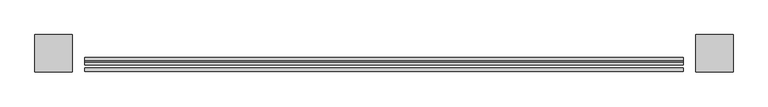
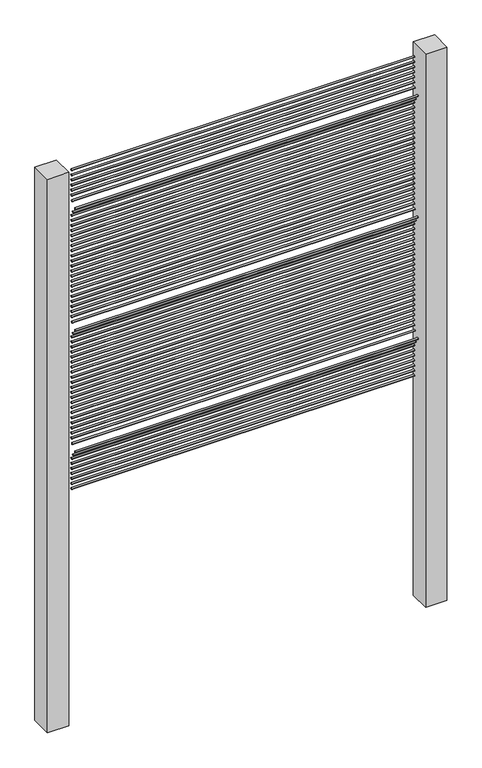
"""IFC4 building model written with IfcOpenShell, lengths in millimetres: railing geometry."""

from ifc_helpers import new_model, si_unit, point, frame, frame_2d, origin, place, context, project, spatial, polyline, circle_curve, trimmed, segment, composite_curve, outline, extrude, source, transform, mapped, element, save


def railing_5e0648ca(model_context):
    return source(origin(), model_context, "Body", "SweptSolid", [
        extrude(outline(composite_curve([segment(trimmed(circle_curve(frame_2d((14799.0304142, 28.575)), 3.175), [point((14795.8554142, 28.575))], [point((14802.2054142, 28.575))], False, "CARTESIAN"), True, "CONTINUOUS"), segment(trimmed(circle_curve(frame_2d((14799.0304142, 28.575)), 3.175), [point((14802.2054142, 28.575))], [point((14795.8554142, 28.575))], False, "CARTESIAN"), True, "CONTINUOUS")], self_intersect=False)), frame((-18083.7806958, 0.0, 0.0), z_axis=(1.0, 0.0, 0.0), x_axis=(0.0, 1.0, 0.0)), (0.0, 0.0, 1.0), 1219.2),
        extrude(outline(composite_curve([segment(trimmed(circle_curve(frame_2d((14799.0304142, 47.625)), 3.175), [point((14795.8554142, 47.625))], [point((14802.2054142, 47.625))], False, "CARTESIAN"), True, "CONTINUOUS"), segment(trimmed(circle_curve(frame_2d((14799.0304142, 47.625)), 3.175), [point((14802.2054142, 47.625))], [point((14795.8554142, 47.625))], False, "CARTESIAN"), True, "CONTINUOUS")], self_intersect=False)), frame((-18083.7806958, 0.0, 0.0), z_axis=(1.0, 0.0, 0.0), x_axis=(0.0, 1.0, 0.0)), (0.0, 0.0, 1.0), 1219.2),
        extrude(outline(composite_curve([segment(trimmed(circle_curve(frame_2d((14799.0304142, 66.675)), 3.175), [point((14795.8554142, 66.675))], [point((14802.2054142, 66.675))], False, "CARTESIAN"), True, "CONTINUOUS"), segment(trimmed(circle_curve(frame_2d((14799.0304142, 66.675)), 3.175), [point((14802.2054142, 66.675))], [point((14795.8554142, 66.675))], False, "CARTESIAN"), True, "CONTINUOUS")], self_intersect=False)), frame((-18083.7806958, 0.0, 0.0), z_axis=(1.0, 0.0, 0.0), x_axis=(0.0, 1.0, 0.0)), (0.0, 0.0, 1.0), 1219.2),
        extrude(outline(composite_curve([segment(trimmed(circle_curve(frame_2d((14799.0304142, 85.725)), 3.175), [point((14795.8554142, 85.725))], [point((14802.2054142, 85.725))], False, "CARTESIAN"), True, "CONTINUOUS"), segment(trimmed(circle_curve(frame_2d((14799.0304142, 85.725)), 3.175), [point((14802.2054142, 85.725))], [point((14795.8554142, 85.725))], False, "CARTESIAN"), True, "CONTINUOUS")], self_intersect=False)), frame((-18083.7806958, 0.0, 0.0), z_axis=(1.0, 0.0, 0.0), x_axis=(0.0, 1.0, 0.0)), (0.0, 0.0, 1.0), 1219.2),
        extrude(outline(composite_curve([segment(trimmed(circle_curve(frame_2d((14799.0304142, 104.775)), 3.175), [point((14795.8554142, 104.775))], [point((14802.2054142, 104.775))], False, "CARTESIAN"), True, "CONTINUOUS"), segment(trimmed(circle_curve(frame_2d((14799.0304142, 104.775)), 3.175), [point((14802.2054142, 104.775))], [point((14795.8554142, 104.775))], False, "CARTESIAN"), True, "CONTINUOUS")], self_intersect=False)), frame((-18083.7806958, 0.0, 0.0), z_axis=(1.0, 0.0, 0.0), x_axis=(0.0, 1.0, 0.0)), (0.0, 0.0, 1.0), 1219.2),
        extrude(outline(composite_curve([segment(trimmed(circle_curve(frame_2d((14799.0304142, 123.825)), 3.175), [point((14795.8554142, 123.825))], [point((14802.2054142, 123.825))], False, "CARTESIAN"), True, "CONTINUOUS"), segment(trimmed(circle_curve(frame_2d((14799.0304142, 123.825)), 3.175), [point((14802.2054142, 123.825))], [point((14795.8554142, 123.825))], False, "CARTESIAN"), True, "CONTINUOUS")], self_intersect=False)), frame((-18083.7806958, 0.0, 0.0), z_axis=(1.0, 0.0, 0.0), x_axis=(0.0, 1.0, 0.0)), (0.0, 0.0, 1.0), 1219.2),
        extrude(outline(composite_curve([segment(trimmed(circle_curve(frame_2d((14799.0304142, 142.875)), 3.175), [point((14795.8554142, 142.875))], [point((14802.2054142, 142.875))], False, "CARTESIAN"), True, "CONTINUOUS"), segment(trimmed(circle_curve(frame_2d((14799.0304142, 142.875)), 3.175), [point((14802.2054142, 142.875))], [point((14795.8554142, 142.875))], False, "CARTESIAN"), True, "CONTINUOUS")], self_intersect=False)), frame((-18083.7806958, 0.0, 0.0), z_axis=(1.0, 0.0, 0.0), x_axis=(0.0, 1.0, 0.0)), (0.0, 0.0, 1.0), 1219.2),
        extrude(outline(composite_curve([segment(trimmed(circle_curve(frame_2d((14789.3771382, 161.925)), 3.175), [point((14786.2021382, 161.925))], [point((14792.5521382, 161.925))], False, "CARTESIAN"), True, "CONTINUOUS"), segment(trimmed(circle_curve(frame_2d((14789.3771382, 161.925)), 3.175), [point((14792.5521382, 161.925))], [point((14786.2021382, 161.925))], False, "CARTESIAN"), True, "CONTINUOUS")], self_intersect=False)), frame((-18083.7806958, 0.0, 0.0), z_axis=(1.0, 0.0, 0.0), x_axis=(0.0, 1.0, 0.0)), (0.0, 0.0, 1.0), 1219.2),
        extrude(outline(composite_curve([segment(trimmed(circle_curve(frame_2d((14776.6771382, 180.975)), 3.175), [point((14773.5021382, 180.975))], [point((14779.8521382, 180.975))], False, "CARTESIAN"), True, "CONTINUOUS"), segment(trimmed(circle_curve(frame_2d((14776.6771382, 180.975)), 3.175), [point((14779.8521382, 180.975))], [point((14773.5021382, 180.975))], False, "CARTESIAN"), True, "CONTINUOUS")], self_intersect=False)), frame((-18083.7806958, 0.0, 0.0), z_axis=(1.0, 0.0, 0.0), x_axis=(0.0, 1.0, 0.0)), (0.0, 0.0, 1.0), 1219.2),
        extrude(outline(composite_curve([segment(trimmed(circle_curve(frame_2d((14795.4585392, 200.025)), 3.175), [point((14792.2835392, 200.025))], [point((14798.6335392, 200.025))], False, "CARTESIAN"), True, "CONTINUOUS"), segment(trimmed(circle_curve(frame_2d((14795.4585392, 200.025)), 3.175), [point((14798.6335392, 200.025))], [point((14792.2835392, 200.025))], False, "CARTESIAN"), True, "CONTINUOUS")], self_intersect=False)), frame((-18083.7806958, 0.0, 0.0), z_axis=(1.0, 0.0, 0.0), x_axis=(0.0, 1.0, 0.0)), (0.0, 0.0, 1.0), 1219.2),
        extrude(outline(composite_curve([segment(trimmed(circle_curve(frame_2d((14799.0304142, 219.075)), 3.175), [point((14795.8554142, 219.075))], [point((14802.2054142, 219.075))], False, "CARTESIAN"), True, "CONTINUOUS"), segment(trimmed(circle_curve(frame_2d((14799.0304142, 219.075)), 3.175), [point((14802.2054142, 219.075))], [point((14795.8554142, 219.075))], False, "CARTESIAN"), True, "CONTINUOUS")], self_intersect=False)), frame((-18083.7806958, 0.0, 0.0), z_axis=(1.0, 0.0, 0.0), x_axis=(0.0, 1.0, 0.0)), (0.0, 0.0, 1.0), 1219.2),
        extrude(outline(composite_curve([segment(trimmed(circle_curve(frame_2d((14799.0304142, 238.125)), 3.175), [point((14795.8554142, 238.125))], [point((14802.2054142, 238.125))], False, "CARTESIAN"), True, "CONTINUOUS"), segment(trimmed(circle_curve(frame_2d((14799.0304142, 238.125)), 3.175), [point((14802.2054142, 238.125))], [point((14795.8554142, 238.125))], False, "CARTESIAN"), True, "CONTINUOUS")], self_intersect=False)), frame((-18083.7806958, 0.0, 0.0), z_axis=(1.0, 0.0, 0.0), x_axis=(0.0, 1.0, 0.0)), (0.0, 0.0, 1.0), 1219.2),
        extrude(outline(composite_curve([segment(trimmed(circle_curve(frame_2d((14799.0304142, 257.175)), 3.175), [point((14795.8554142, 257.175))], [point((14802.2054142, 257.175))], False, "CARTESIAN"), True, "CONTINUOUS"), segment(trimmed(circle_curve(frame_2d((14799.0304142, 257.175)), 3.175), [point((14802.2054142, 257.175))], [point((14795.8554142, 257.175))], False, "CARTESIAN"), True, "CONTINUOUS")], self_intersect=False)), frame((-18083.7806958, 0.0, 0.0), z_axis=(1.0, 0.0, 0.0), x_axis=(0.0, 1.0, 0.0)), (0.0, 0.0, 1.0), 1219.2),
        extrude(outline(composite_curve([segment(trimmed(circle_curve(frame_2d((14799.0304142, 276.225)), 3.175), [point((14795.8554142, 276.225))], [point((14802.2054142, 276.225))], False, "CARTESIAN"), True, "CONTINUOUS"), segment(trimmed(circle_curve(frame_2d((14799.0304142, 276.225)), 3.175), [point((14802.2054142, 276.225))], [point((14795.8554142, 276.225))], False, "CARTESIAN"), True, "CONTINUOUS")], self_intersect=False)), frame((-18083.7806958, 0.0, 0.0), z_axis=(1.0, 0.0, 0.0), x_axis=(0.0, 1.0, 0.0)), (0.0, 0.0, 1.0), 1219.2),
        extrude(outline(composite_curve([segment(trimmed(circle_curve(frame_2d((14799.0304142, 295.275)), 3.175), [point((14795.8554142, 295.275))], [point((14802.2054142, 295.275))], False, "CARTESIAN"), True, "CONTINUOUS"), segment(trimmed(circle_curve(frame_2d((14799.0304142, 295.275)), 3.175), [point((14802.2054142, 295.275))], [point((14795.8554142, 295.275))], False, "CARTESIAN"), True, "CONTINUOUS")], self_intersect=False)), frame((-18083.7806958, 0.0, 0.0), z_axis=(1.0, 0.0, 0.0), x_axis=(0.0, 1.0, 0.0)), (0.0, 0.0, 1.0), 1219.2),
        extrude(outline(composite_curve([segment(trimmed(circle_curve(frame_2d((14799.0304142, 314.325)), 3.175), [point((14795.8554142, 314.325))], [point((14802.2054142, 314.325))], False, "CARTESIAN"), True, "CONTINUOUS"), segment(trimmed(circle_curve(frame_2d((14799.0304142, 314.325)), 3.175), [point((14802.2054142, 314.325))], [point((14795.8554142, 314.325))], False, "CARTESIAN"), True, "CONTINUOUS")], self_intersect=False)), frame((-18083.7806958, 0.0, 0.0), z_axis=(1.0, 0.0, 0.0), x_axis=(0.0, 1.0, 0.0)), (0.0, 0.0, 1.0), 1219.2),
        extrude(outline(composite_curve([segment(trimmed(circle_curve(frame_2d((14799.0304142, 333.375)), 3.175), [point((14795.8554142, 333.375))], [point((14802.2054142, 333.375))], False, "CARTESIAN"), True, "CONTINUOUS"), segment(trimmed(circle_curve(frame_2d((14799.0304142, 333.375)), 3.175), [point((14802.2054142, 333.375))], [point((14795.8554142, 333.375))], False, "CARTESIAN"), True, "CONTINUOUS")], self_intersect=False)), frame((-18083.7806958, 0.0, 0.0), z_axis=(1.0, 0.0, 0.0), x_axis=(0.0, 1.0, 0.0)), (0.0, 0.0, 1.0), 1219.2),
        extrude(outline(composite_curve([segment(trimmed(circle_curve(frame_2d((14799.0304142, 352.425)), 3.175), [point((14795.8554142, 352.425))], [point((14802.2054142, 352.425))], False, "CARTESIAN"), True, "CONTINUOUS"), segment(trimmed(circle_curve(frame_2d((14799.0304142, 352.425)), 3.175), [point((14802.2054142, 352.425))], [point((14795.8554142, 352.425))], False, "CARTESIAN"), True, "CONTINUOUS")], self_intersect=False)), frame((-18083.7806958, 0.0, 0.0), z_axis=(1.0, 0.0, 0.0), x_axis=(0.0, 1.0, 0.0)), (0.0, 0.0, 1.0), 1219.2),
        extrude(outline(composite_curve([segment(trimmed(circle_curve(frame_2d((14799.0304142, 371.475)), 3.175), [point((14795.8554142, 371.475))], [point((14802.2054142, 371.475))], False, "CARTESIAN"), True, "CONTINUOUS"), segment(trimmed(circle_curve(frame_2d((14799.0304142, 371.475)), 3.175), [point((14802.2054142, 371.475))], [point((14795.8554142, 371.475))], False, "CARTESIAN"), True, "CONTINUOUS")], self_intersect=False)), frame((-18083.7806958, 0.0, 0.0), z_axis=(1.0, 0.0, 0.0), x_axis=(0.0, 1.0, 0.0)), (0.0, 0.0, 1.0), 1219.2),
        extrude(outline(composite_curve([segment(trimmed(circle_curve(frame_2d((14799.0304142, 390.525)), 3.175), [point((14795.8554142, 390.525))], [point((14802.2054142, 390.525))], False, "CARTESIAN"), True, "CONTINUOUS"), segment(trimmed(circle_curve(frame_2d((14799.0304142, 390.525)), 3.175), [point((14802.2054142, 390.525))], [point((14795.8554142, 390.525))], False, "CARTESIAN"), True, "CONTINUOUS")], self_intersect=False)), frame((-18083.7806958, 0.0, 0.0), z_axis=(1.0, 0.0, 0.0), x_axis=(0.0, 1.0, 0.0)), (0.0, 0.0, 1.0), 1219.2),
        extrude(outline(composite_curve([segment(trimmed(circle_curve(frame_2d((14799.0304142, 409.575)), 3.175), [point((14795.8554142, 409.575))], [point((14802.2054142, 409.575))], False, "CARTESIAN"), True, "CONTINUOUS"), segment(trimmed(circle_curve(frame_2d((14799.0304142, 409.575)), 3.175), [point((14802.2054142, 409.575))], [point((14795.8554142, 409.575))], False, "CARTESIAN"), True, "CONTINUOUS")], self_intersect=False)), frame((-18083.7806958, 0.0, 0.0), z_axis=(1.0, 0.0, 0.0), x_axis=(0.0, 1.0, 0.0)), (0.0, 0.0, 1.0), 1219.2),
        extrude(outline(composite_curve([segment(trimmed(circle_curve(frame_2d((14799.0304142, 428.625)), 3.175), [point((14795.8554142, 428.625))], [point((14802.2054142, 428.625))], False, "CARTESIAN"), True, "CONTINUOUS"), segment(trimmed(circle_curve(frame_2d((14799.0304142, 428.625)), 3.175), [point((14802.2054142, 428.625))], [point((14795.8554142, 428.625))], False, "CARTESIAN"), True, "CONTINUOUS")], self_intersect=False)), frame((-18083.7806958, 0.0, 0.0), z_axis=(1.0, 0.0, 0.0), x_axis=(0.0, 1.0, 0.0)), (0.0, 0.0, 1.0), 1219.2),
        extrude(outline(composite_curve([segment(trimmed(circle_curve(frame_2d((14799.0304142, 447.675)), 3.175), [point((14795.8554142, 447.675))], [point((14802.2054142, 447.675))], False, "CARTESIAN"), True, "CONTINUOUS"), segment(trimmed(circle_curve(frame_2d((14799.0304142, 447.675)), 3.175), [point((14802.2054142, 447.675))], [point((14795.8554142, 447.675))], False, "CARTESIAN"), True, "CONTINUOUS")], self_intersect=False)), frame((-18083.7806958, 0.0, 0.0), z_axis=(1.0, 0.0, 0.0), x_axis=(0.0, 1.0, 0.0)), (0.0, 0.0, 1.0), 1219.2),
        extrude(outline(composite_curve([segment(trimmed(circle_curve(frame_2d((14799.0304142, 466.725)), 3.175), [point((14795.8554142, 466.725))], [point((14802.2054142, 466.725))], False, "CARTESIAN"), True, "CONTINUOUS"), segment(trimmed(circle_curve(frame_2d((14799.0304142, 466.725)), 3.175), [point((14802.2054142, 466.725))], [point((14795.8554142, 466.725))], False, "CARTESIAN"), True, "CONTINUOUS")], self_intersect=False)), frame((-18083.7806958, 0.0, 0.0), z_axis=(1.0, 0.0, 0.0), x_axis=(0.0, 1.0, 0.0)), (0.0, 0.0, 1.0), 1219.2),
        extrude(outline(composite_curve([segment(trimmed(circle_curve(frame_2d((14799.0304142, 485.775)), 3.175), [point((14795.8554142, 485.775))], [point((14802.2054142, 485.775))], False, "CARTESIAN"), True, "CONTINUOUS"), segment(trimmed(circle_curve(frame_2d((14799.0304142, 485.775)), 3.175), [point((14802.2054142, 485.775))], [point((14795.8554142, 485.775))], False, "CARTESIAN"), True, "CONTINUOUS")], self_intersect=False)), frame((-18083.7806958, 0.0, 0.0), z_axis=(1.0, 0.0, 0.0), x_axis=(0.0, 1.0, 0.0)), (0.0, 0.0, 1.0), 1219.2),
        extrude(outline(composite_curve([segment(trimmed(circle_curve(frame_2d((14799.0304142, 504.825)), 3.175), [point((14795.8554142, 504.825))], [point((14802.2054142, 504.825))], False, "CARTESIAN"), True, "CONTINUOUS"), segment(trimmed(circle_curve(frame_2d((14799.0304142, 504.825)), 3.175), [point((14802.2054142, 504.825))], [point((14795.8554142, 504.825))], False, "CARTESIAN"), True, "CONTINUOUS")], self_intersect=False)), frame((-18083.7806958, 0.0, 0.0), z_axis=(1.0, 0.0, 0.0), x_axis=(0.0, 1.0, 0.0)), (0.0, 0.0, 1.0), 1219.2),
        extrude(outline(composite_curve([segment(trimmed(circle_curve(frame_2d((14799.0304142, 523.875)), 3.175), [point((14795.8554142, 523.875))], [point((14802.2054142, 523.875))], False, "CARTESIAN"), True, "CONTINUOUS"), segment(trimmed(circle_curve(frame_2d((14799.0304142, 523.875)), 3.175), [point((14802.2054142, 523.875))], [point((14795.8554142, 523.875))], False, "CARTESIAN"), True, "CONTINUOUS")], self_intersect=False)), frame((-18083.7806958, 0.0, 0.0), z_axis=(1.0, 0.0, 0.0), x_axis=(0.0, 1.0, 0.0)), (0.0, 0.0, 1.0), 1219.2),
        extrude(outline(composite_curve([segment(trimmed(circle_curve(frame_2d((14799.0304142, 542.925)), 3.175), [point((14795.8554142, 542.925))], [point((14802.2054142, 542.925))], False, "CARTESIAN"), True, "CONTINUOUS"), segment(trimmed(circle_curve(frame_2d((14799.0304142, 542.925)), 3.175), [point((14802.2054142, 542.925))], [point((14795.8554142, 542.925))], False, "CARTESIAN"), True, "CONTINUOUS")], self_intersect=False)), frame((-18083.7806958, 0.0, 0.0), z_axis=(1.0, 0.0, 0.0), x_axis=(0.0, 1.0, 0.0)), (0.0, 0.0, 1.0), 1219.2),
        extrude(outline(composite_curve([segment(trimmed(circle_curve(frame_2d((14799.0304142, 561.975)), 3.175), [point((14795.8554142, 561.975))], [point((14802.2054142, 561.975))], False, "CARTESIAN"), True, "CONTINUOUS"), segment(trimmed(circle_curve(frame_2d((14799.0304142, 561.975)), 3.175), [point((14802.2054142, 561.975))], [point((14795.8554142, 561.975))], False, "CARTESIAN"), True, "CONTINUOUS")], self_intersect=False)), frame((-18083.7806958, 0.0, 0.0), z_axis=(1.0, 0.0, 0.0), x_axis=(0.0, 1.0, 0.0)), (0.0, 0.0, 1.0), 1219.2),
        extrude(outline(composite_curve([segment(trimmed(circle_curve(frame_2d((14799.0304142, 581.025)), 3.175), [point((14795.8554142, 581.025))], [point((14802.2054142, 581.025))], False, "CARTESIAN"), True, "CONTINUOUS"), segment(trimmed(circle_curve(frame_2d((14799.0304142, 581.025)), 3.175), [point((14802.2054142, 581.025))], [point((14795.8554142, 581.025))], False, "CARTESIAN"), True, "CONTINUOUS")], self_intersect=False)), frame((-18083.7806958, 0.0, 0.0), z_axis=(1.0, 0.0, 0.0), x_axis=(0.0, 1.0, 0.0)), (0.0, 0.0, 1.0), 1219.2),
        extrude(outline(composite_curve([segment(trimmed(circle_curve(frame_2d((14799.0304142, 600.075)), 3.175), [point((14795.8554142, 600.075))], [point((14802.2054142, 600.075))], False, "CARTESIAN"), True, "CONTINUOUS"), segment(trimmed(circle_curve(frame_2d((14799.0304142, 600.075)), 3.175), [point((14802.2054142, 600.075))], [point((14795.8554142, 600.075))], False, "CARTESIAN"), True, "CONTINUOUS")], self_intersect=False)), frame((-18083.7806958, 0.0, 0.0), z_axis=(1.0, 0.0, 0.0), x_axis=(0.0, 1.0, 0.0)), (0.0, 0.0, 1.0), 1219.2),
        extrude(outline(composite_curve([segment(trimmed(circle_curve(frame_2d((14789.5054142, 619.125)), 3.175), [point((14786.3304142, 619.125))], [point((14792.6804142, 619.125))], False, "CARTESIAN"), True, "CONTINUOUS"), segment(trimmed(circle_curve(frame_2d((14789.5054142, 619.125)), 3.175), [point((14792.6804142, 619.125))], [point((14786.3304142, 619.125))], False, "CARTESIAN"), True, "CONTINUOUS")], self_intersect=False)), frame((-18083.7806958, 0.0, 0.0), z_axis=(1.0, 0.0, 0.0), x_axis=(0.0, 1.0, 0.0)), (0.0, 0.0, 1.0), 1219.2),
        extrude(outline(composite_curve([segment(trimmed(circle_curve(frame_2d((14776.8054142, 638.175)), 3.175), [point((14773.6304142, 638.175))], [point((14779.9804142, 638.175))], False, "CARTESIAN"), True, "CONTINUOUS"), segment(trimmed(circle_curve(frame_2d((14776.8054142, 638.175)), 3.175), [point((14779.9804142, 638.175))], [point((14773.6304142, 638.175))], False, "CARTESIAN"), True, "CONTINUOUS")], self_intersect=False)), frame((-18083.7806958, 0.0, 0.0), z_axis=(1.0, 0.0, 0.0), x_axis=(0.0, 1.0, 0.0)), (0.0, 0.0, 1.0), 1219.2),
        extrude(outline(composite_curve([segment(trimmed(circle_curve(frame_2d((14795.8554142, 657.225)), 3.175), [point((14792.6804142, 657.225))], [point((14799.0304142, 657.225))], False, "CARTESIAN"), True, "CONTINUOUS"), segment(trimmed(circle_curve(frame_2d((14795.8554142, 657.225)), 3.175), [point((14799.0304142, 657.225))], [point((14792.6804142, 657.225))], False, "CARTESIAN"), True, "CONTINUOUS")], self_intersect=False)), frame((-18083.7806958, 0.0, 0.0), z_axis=(1.0, 0.0, 0.0), x_axis=(0.0, 1.0, 0.0)), (0.0, 0.0, 1.0), 1219.2),
        extrude(outline(composite_curve([segment(trimmed(circle_curve(frame_2d((14799.0304142, 676.275)), 3.175), [point((14795.8554142, 676.275))], [point((14802.2054142, 676.275))], False, "CARTESIAN"), True, "CONTINUOUS"), segment(trimmed(circle_curve(frame_2d((14799.0304142, 676.275)), 3.175), [point((14802.2054142, 676.275))], [point((14795.8554142, 676.275))], False, "CARTESIAN"), True, "CONTINUOUS")], self_intersect=False)), frame((-18083.7806958, 0.0, 0.0), z_axis=(1.0, 0.0, 0.0), x_axis=(0.0, 1.0, 0.0)), (0.0, 0.0, 1.0), 1219.2),
        extrude(outline(composite_curve([segment(trimmed(circle_curve(frame_2d((14799.0304142, 695.325)), 3.175), [point((14795.8554142, 695.325))], [point((14802.2054142, 695.325))], False, "CARTESIAN"), True, "CONTINUOUS"), segment(trimmed(circle_curve(frame_2d((14799.0304142, 695.325)), 3.175), [point((14802.2054142, 695.325))], [point((14795.8554142, 695.325))], False, "CARTESIAN"), True, "CONTINUOUS")], self_intersect=False)), frame((-18083.7806958, 0.0, 0.0), z_axis=(1.0, 0.0, 0.0), x_axis=(0.0, 1.0, 0.0)), (0.0, 0.0, 1.0), 1219.2),
        extrude(outline(composite_curve([segment(trimmed(circle_curve(frame_2d((14799.0304142, 714.375)), 3.175), [point((14795.8554142, 714.375))], [point((14802.2054142, 714.375))], False, "CARTESIAN"), True, "CONTINUOUS"), segment(trimmed(circle_curve(frame_2d((14799.0304142, 714.375)), 3.175), [point((14802.2054142, 714.375))], [point((14795.8554142, 714.375))], False, "CARTESIAN"), True, "CONTINUOUS")], self_intersect=False)), frame((-18083.7806958, 0.0, 0.0), z_axis=(1.0, 0.0, 0.0), x_axis=(0.0, 1.0, 0.0)), (0.0, 0.0, 1.0), 1219.2),
        extrude(outline(composite_curve([segment(trimmed(circle_curve(frame_2d((14799.0304142, 733.425)), 3.175), [point((14795.8554142, 733.425))], [point((14802.2054142, 733.425))], False, "CARTESIAN"), True, "CONTINUOUS"), segment(trimmed(circle_curve(frame_2d((14799.0304142, 733.425)), 3.175), [point((14802.2054142, 733.425))], [point((14795.8554142, 733.425))], False, "CARTESIAN"), True, "CONTINUOUS")], self_intersect=False)), frame((-18083.7806958, 0.0, 0.0), z_axis=(1.0, 0.0, 0.0), x_axis=(0.0, 1.0, 0.0)), (0.0, 0.0, 1.0), 1219.2),
        extrude(outline(composite_curve([segment(trimmed(circle_curve(frame_2d((14799.0304142, 752.475)), 3.175), [point((14795.8554142, 752.475))], [point((14802.2054142, 752.475))], False, "CARTESIAN"), True, "CONTINUOUS"), segment(trimmed(circle_curve(frame_2d((14799.0304142, 752.475)), 3.175), [point((14802.2054142, 752.475))], [point((14795.8554142, 752.475))], False, "CARTESIAN"), True, "CONTINUOUS")], self_intersect=False)), frame((-18083.7806958, 0.0, 0.0), z_axis=(1.0, 0.0, 0.0), x_axis=(0.0, 1.0, 0.0)), (0.0, 0.0, 1.0), 1219.2),
        extrude(outline(composite_curve([segment(trimmed(circle_curve(frame_2d((14799.0304142, 771.525)), 3.175), [point((14795.8554142, 771.525))], [point((14802.2054142, 771.525))], False, "CARTESIAN"), True, "CONTINUOUS"), segment(trimmed(circle_curve(frame_2d((14799.0304142, 771.525)), 3.175), [point((14802.2054142, 771.525))], [point((14795.8554142, 771.525))], False, "CARTESIAN"), True, "CONTINUOUS")], self_intersect=False)), frame((-18083.7806958, 0.0, 0.0), z_axis=(1.0, 0.0, 0.0), x_axis=(0.0, 1.0, 0.0)), (0.0, 0.0, 1.0), 1219.2),
        extrude(outline(composite_curve([segment(trimmed(circle_curve(frame_2d((14799.0304142, 790.575)), 3.175), [point((14795.8554142, 790.575))], [point((14802.2054142, 790.575))], False, "CARTESIAN"), True, "CONTINUOUS"), segment(trimmed(circle_curve(frame_2d((14799.0304142, 790.575)), 3.175), [point((14802.2054142, 790.575))], [point((14795.8554142, 790.575))], False, "CARTESIAN"), True, "CONTINUOUS")], self_intersect=False)), frame((-18083.7806958, 0.0, 0.0), z_axis=(1.0, 0.0, 0.0), x_axis=(0.0, 1.0, 0.0)), (0.0, 0.0, 1.0), 1219.2),
        extrude(outline(composite_curve([segment(trimmed(circle_curve(frame_2d((14799.0304142, 809.625)), 3.175), [point((14795.8554142, 809.625))], [point((14802.2054142, 809.625))], False, "CARTESIAN"), True, "CONTINUOUS"), segment(trimmed(circle_curve(frame_2d((14799.0304142, 809.625)), 3.175), [point((14802.2054142, 809.625))], [point((14795.8554142, 809.625))], False, "CARTESIAN"), True, "CONTINUOUS")], self_intersect=False)), frame((-18083.7806958, 0.0, 0.0), z_axis=(1.0, 0.0, 0.0), x_axis=(0.0, 1.0, 0.0)), (0.0, 0.0, 1.0), 1219.2),
        extrude(outline(composite_curve([segment(trimmed(circle_curve(frame_2d((14799.0304142, 828.675)), 3.175), [point((14795.8554142, 828.675))], [point((14802.2054142, 828.675))], False, "CARTESIAN"), True, "CONTINUOUS"), segment(trimmed(circle_curve(frame_2d((14799.0304142, 828.675)), 3.175), [point((14802.2054142, 828.675))], [point((14795.8554142, 828.675))], False, "CARTESIAN"), True, "CONTINUOUS")], self_intersect=False)), frame((-18083.7806958, 0.0, 0.0), z_axis=(1.0, 0.0, 0.0), x_axis=(0.0, 1.0, 0.0)), (0.0, 0.0, 1.0), 1219.2),
        extrude(outline(composite_curve([segment(trimmed(circle_curve(frame_2d((14799.0304142, 847.725)), 3.175), [point((14795.8554142, 847.725))], [point((14802.2054142, 847.725))], False, "CARTESIAN"), True, "CONTINUOUS"), segment(trimmed(circle_curve(frame_2d((14799.0304142, 847.725)), 3.175), [point((14802.2054142, 847.725))], [point((14795.8554142, 847.725))], False, "CARTESIAN"), True, "CONTINUOUS")], self_intersect=False)), frame((-18083.7806958, 0.0, 0.0), z_axis=(1.0, 0.0, 0.0), x_axis=(0.0, 1.0, 0.0)), (0.0, 0.0, 1.0), 1219.2),
        extrude(outline(composite_curve([segment(trimmed(circle_curve(frame_2d((14799.0304142, 866.775)), 3.175), [point((14795.8554142, 866.775))], [point((14802.2054142, 866.775))], False, "CARTESIAN"), True, "CONTINUOUS"), segment(trimmed(circle_curve(frame_2d((14799.0304142, 866.775)), 3.175), [point((14802.2054142, 866.775))], [point((14795.8554142, 866.775))], False, "CARTESIAN"), True, "CONTINUOUS")], self_intersect=False)), frame((-18083.7806958, 0.0, 0.0), z_axis=(1.0, 0.0, 0.0), x_axis=(0.0, 1.0, 0.0)), (0.0, 0.0, 1.0), 1219.2),
        extrude(outline(composite_curve([segment(trimmed(circle_curve(frame_2d((14799.0304142, 885.825)), 3.175), [point((14795.8554142, 885.825))], [point((14802.2054142, 885.825))], False, "CARTESIAN"), True, "CONTINUOUS"), segment(trimmed(circle_curve(frame_2d((14799.0304142, 885.825)), 3.175), [point((14802.2054142, 885.825))], [point((14795.8554142, 885.825))], False, "CARTESIAN"), True, "CONTINUOUS")], self_intersect=False)), frame((-18083.7806958, 0.0, 0.0), z_axis=(1.0, 0.0, 0.0), x_axis=(0.0, 1.0, 0.0)), (0.0, 0.0, 1.0), 1219.2),
        extrude(outline(composite_curve([segment(trimmed(circle_curve(frame_2d((14799.0304142, 904.875)), 3.175), [point((14795.8554142, 904.875))], [point((14802.2054142, 904.875))], False, "CARTESIAN"), True, "CONTINUOUS"), segment(trimmed(circle_curve(frame_2d((14799.0304142, 904.875)), 3.175), [point((14802.2054142, 904.875))], [point((14795.8554142, 904.875))], False, "CARTESIAN"), True, "CONTINUOUS")], self_intersect=False)), frame((-18083.7806958, 0.0, 0.0), z_axis=(1.0, 0.0, 0.0), x_axis=(0.0, 1.0, 0.0)), (0.0, 0.0, 1.0), 1219.2),
        extrude(outline(composite_curve([segment(trimmed(circle_curve(frame_2d((14799.0304142, 923.925)), 3.175), [point((14795.8554142, 923.925))], [point((14802.2054142, 923.925))], False, "CARTESIAN"), True, "CONTINUOUS"), segment(trimmed(circle_curve(frame_2d((14799.0304142, 923.925)), 3.175), [point((14802.2054142, 923.925))], [point((14795.8554142, 923.925))], False, "CARTESIAN"), True, "CONTINUOUS")], self_intersect=False)), frame((-18083.7806958, 0.0, 0.0), z_axis=(1.0, 0.0, 0.0), x_axis=(0.0, 1.0, 0.0)), (0.0, 0.0, 1.0), 1219.2),
        extrude(outline(composite_curve([segment(trimmed(circle_curve(frame_2d((14799.0304142, 942.975)), 3.175), [point((14795.8554142, 942.975))], [point((14802.2054142, 942.975))], False, "CARTESIAN"), True, "CONTINUOUS"), segment(trimmed(circle_curve(frame_2d((14799.0304142, 942.975)), 3.175), [point((14802.2054142, 942.975))], [point((14795.8554142, 942.975))], False, "CARTESIAN"), True, "CONTINUOUS")], self_intersect=False)), frame((-18083.7806958, 0.0, 0.0), z_axis=(1.0, 0.0, 0.0), x_axis=(0.0, 1.0, 0.0)), (0.0, 0.0, 1.0), 1219.2),
        extrude(outline(composite_curve([segment(trimmed(circle_curve(frame_2d((14799.0304142, 962.025)), 3.175), [point((14795.8554142, 962.025))], [point((14802.2054142, 962.025))], False, "CARTESIAN"), True, "CONTINUOUS"), segment(trimmed(circle_curve(frame_2d((14799.0304142, 962.025)), 3.175), [point((14802.2054142, 962.025))], [point((14795.8554142, 962.025))], False, "CARTESIAN"), True, "CONTINUOUS")], self_intersect=False)), frame((-18083.7806958, 0.0, 0.0), z_axis=(1.0, 0.0, 0.0), x_axis=(0.0, 1.0, 0.0)), (0.0, 0.0, 1.0), 1219.2),
        extrude(outline(composite_curve([segment(trimmed(circle_curve(frame_2d((14799.0304142, 981.075)), 3.175), [point((14795.8554142, 981.075))], [point((14802.2054142, 981.075))], False, "CARTESIAN"), True, "CONTINUOUS"), segment(trimmed(circle_curve(frame_2d((14799.0304142, 981.075)), 3.175), [point((14802.2054142, 981.075))], [point((14795.8554142, 981.075))], False, "CARTESIAN"), True, "CONTINUOUS")], self_intersect=False)), frame((-18083.7806958, 0.0, 0.0), z_axis=(1.0, 0.0, 0.0), x_axis=(0.0, 1.0, 0.0)), (0.0, 0.0, 1.0), 1219.2),
        extrude(outline(composite_curve([segment(trimmed(circle_curve(frame_2d((14799.0304142, 1000.125)), 3.175), [point((14795.8554142, 1000.125))], [point((14802.2054142, 1000.125))], False, "CARTESIAN"), True, "CONTINUOUS"), segment(trimmed(circle_curve(frame_2d((14799.0304142, 1000.125)), 3.175), [point((14802.2054142, 1000.125))], [point((14795.8554142, 1000.125))], False, "CARTESIAN"), True, "CONTINUOUS")], self_intersect=False)), frame((-18083.7806958, 0.0, 0.0), z_axis=(1.0, 0.0, 0.0), x_axis=(0.0, 1.0, 0.0)), (0.0, 0.0, 1.0), 1219.2),
        extrude(outline(composite_curve([segment(trimmed(circle_curve(frame_2d((14799.0304142, 1019.175)), 3.175), [point((14795.8554142, 1019.175))], [point((14802.2054142, 1019.175))], False, "CARTESIAN"), True, "CONTINUOUS"), segment(trimmed(circle_curve(frame_2d((14799.0304142, 1019.175)), 3.175), [point((14802.2054142, 1019.175))], [point((14795.8554142, 1019.175))], False, "CARTESIAN"), True, "CONTINUOUS")], self_intersect=False)), frame((-18083.7806958, 0.0, 0.0), z_axis=(1.0, 0.0, 0.0), x_axis=(0.0, 1.0, 0.0)), (0.0, 0.0, 1.0), 1219.2),
        extrude(outline(composite_curve([segment(trimmed(circle_curve(frame_2d((14799.0304142, 1038.225)), 3.175), [point((14795.8554142, 1038.225))], [point((14802.2054142, 1038.225))], False, "CARTESIAN"), True, "CONTINUOUS"), segment(trimmed(circle_curve(frame_2d((14799.0304142, 1038.225)), 3.175), [point((14802.2054142, 1038.225))], [point((14795.8554142, 1038.225))], False, "CARTESIAN"), True, "CONTINUOUS")], self_intersect=False)), frame((-18083.7806958, 0.0, 0.0), z_axis=(1.0, 0.0, 0.0), x_axis=(0.0, 1.0, 0.0)), (0.0, 0.0, 1.0), 1219.2),
        extrude(outline(composite_curve([segment(trimmed(circle_curve(frame_2d((14799.0304142, 1057.275)), 3.175), [point((14795.8554142, 1057.275))], [point((14802.2054142, 1057.275))], False, "CARTESIAN"), True, "CONTINUOUS"), segment(trimmed(circle_curve(frame_2d((14799.0304142, 1057.275)), 3.175), [point((14802.2054142, 1057.275))], [point((14795.8554142, 1057.275))], False, "CARTESIAN"), True, "CONTINUOUS")], self_intersect=False)), frame((-18083.7806958, 0.0, 0.0), z_axis=(1.0, 0.0, 0.0), x_axis=(0.0, 1.0, 0.0)), (0.0, 0.0, 1.0), 1219.2),
        extrude(outline(composite_curve([segment(trimmed(circle_curve(frame_2d((14789.5054142, 1076.325)), 3.175), [point((14786.3304142, 1076.325))], [point((14792.6804142, 1076.325))], False, "CARTESIAN"), True, "CONTINUOUS"), segment(trimmed(circle_curve(frame_2d((14789.5054142, 1076.325)), 3.175), [point((14792.6804142, 1076.325))], [point((14786.3304142, 1076.325))], False, "CARTESIAN"), True, "CONTINUOUS")], self_intersect=False)), frame((-18083.7806958, 0.0, 0.0), z_axis=(1.0, 0.0, 0.0), x_axis=(0.0, 1.0, 0.0)), (0.0, 0.0, 1.0), 1219.2),
        extrude(outline(composite_curve([segment(trimmed(circle_curve(frame_2d((14776.8054142, 1095.375)), 3.175), [point((14773.6304142, 1095.375))], [point((14779.9804142, 1095.375))], False, "CARTESIAN"), True, "CONTINUOUS"), segment(trimmed(circle_curve(frame_2d((14776.8054142, 1095.375)), 3.175), [point((14779.9804142, 1095.375))], [point((14773.6304142, 1095.375))], False, "CARTESIAN"), True, "CONTINUOUS")], self_intersect=False)), frame((-18083.7806958, 0.0, 0.0), z_axis=(1.0, 0.0, 0.0), x_axis=(0.0, 1.0, 0.0)), (0.0, 0.0, 1.0), 1219.2),
        extrude(outline(composite_curve([segment(trimmed(circle_curve(frame_2d((14795.8554142, 1114.425)), 3.175), [point((14792.6804142, 1114.425))], [point((14799.0304142, 1114.425))], False, "CARTESIAN"), True, "CONTINUOUS"), segment(trimmed(circle_curve(frame_2d((14795.8554142, 1114.425)), 3.175), [point((14799.0304142, 1114.425))], [point((14792.6804142, 1114.425))], False, "CARTESIAN"), True, "CONTINUOUS")], self_intersect=False)), frame((-18083.7806958, 0.0, 0.0), z_axis=(1.0, 0.0, 0.0), x_axis=(0.0, 1.0, 0.0)), (0.0, 0.0, 1.0), 1219.2),
        extrude(outline(composite_curve([segment(trimmed(circle_curve(frame_2d((14799.0304142, 1133.475)), 3.175), [point((14795.8554142, 1133.475))], [point((14802.2054142, 1133.475))], False, "CARTESIAN"), True, "CONTINUOUS"), segment(trimmed(circle_curve(frame_2d((14799.0304142, 1133.475)), 3.175), [point((14802.2054142, 1133.475))], [point((14795.8554142, 1133.475))], False, "CARTESIAN"), True, "CONTINUOUS")], self_intersect=False)), frame((-18083.7806958, 0.0, 0.0), z_axis=(1.0, 0.0, 0.0), x_axis=(0.0, 1.0, 0.0)), (0.0, 0.0, 1.0), 1219.2),
        extrude(outline(composite_curve([segment(trimmed(circle_curve(frame_2d((14799.0304142, 1152.525)), 3.175), [point((14795.8554142, 1152.525))], [point((14802.2054142, 1152.525))], False, "CARTESIAN"), True, "CONTINUOUS"), segment(trimmed(circle_curve(frame_2d((14799.0304142, 1152.525)), 3.175), [point((14802.2054142, 1152.525))], [point((14795.8554142, 1152.525))], False, "CARTESIAN"), True, "CONTINUOUS")], self_intersect=False)), frame((-18083.7806958, 0.0, 0.0), z_axis=(1.0, 0.0, 0.0), x_axis=(0.0, 1.0, 0.0)), (0.0, 0.0, 1.0), 1219.2),
        extrude(outline(composite_curve([segment(trimmed(circle_curve(frame_2d((14799.0304142, 1171.575)), 3.175), [point((14795.8554142, 1171.575))], [point((14802.2054142, 1171.575))], False, "CARTESIAN"), True, "CONTINUOUS"), segment(trimmed(circle_curve(frame_2d((14799.0304142, 1171.575)), 3.175), [point((14802.2054142, 1171.575))], [point((14795.8554142, 1171.575))], False, "CARTESIAN"), True, "CONTINUOUS")], self_intersect=False)), frame((-18083.7806958, 0.0, 0.0), z_axis=(1.0, 0.0, 0.0), x_axis=(0.0, 1.0, 0.0)), (0.0, 0.0, 1.0), 1219.2),
        extrude(outline(composite_curve([segment(trimmed(circle_curve(frame_2d((14799.0304142, 1190.625)), 3.175), [point((14795.8554142, 1190.625))], [point((14802.2054142, 1190.625))], False, "CARTESIAN"), True, "CONTINUOUS"), segment(trimmed(circle_curve(frame_2d((14799.0304142, 1190.625)), 3.175), [point((14802.2054142, 1190.625))], [point((14795.8554142, 1190.625))], False, "CARTESIAN"), True, "CONTINUOUS")], self_intersect=False)), frame((-18083.7806958, 0.0, 0.0), z_axis=(1.0, 0.0, 0.0), x_axis=(0.0, 1.0, 0.0)), (0.0, 0.0, 1.0), 1219.2),
        extrude(outline(composite_curve([segment(trimmed(circle_curve(frame_2d((14799.0304142, 1209.675)), 3.175), [point((14795.8554142, 1209.675))], [point((14802.2054142, 1209.675))], False, "CARTESIAN"), True, "CONTINUOUS"), segment(trimmed(circle_curve(frame_2d((14799.0304142, 1209.675)), 3.175), [point((14802.2054142, 1209.675))], [point((14795.8554142, 1209.675))], False, "CARTESIAN"), True, "CONTINUOUS")], self_intersect=False)), frame((-18083.7806958, 0.0, 0.0), z_axis=(1.0, 0.0, 0.0), x_axis=(0.0, 1.0, 0.0)), (0.0, 0.0, 1.0), 1219.2),
        extrude(outline(composite_curve([segment(trimmed(circle_curve(frame_2d((14799.0304142, 1228.725)), 3.175), [point((14795.8554142, 1228.725))], [point((14802.2054142, 1228.725))], False, "CARTESIAN"), True, "CONTINUOUS"), segment(trimmed(circle_curve(frame_2d((14799.0304142, 1228.725)), 3.175), [point((14802.2054142, 1228.725))], [point((14795.8554142, 1228.725))], False, "CARTESIAN"), True, "CONTINUOUS")], self_intersect=False)), frame((-18083.7806958, 0.0, 0.0), z_axis=(1.0, 0.0, 0.0), x_axis=(0.0, 1.0, 0.0)), (0.0, 0.0, 1.0), 1219.2),
        extrude(outline(polyline([(-16762.9806958, 14848.2429142), (-16762.9806958, 14772.0429142), (-16839.1806958, 14772.0429142), (-16839.1806958, 14848.2429142), (-16762.9806958, 14848.2429142)])), frame((0.0, 0.0, -838.2), z_axis=(0.0, 0.0, 1.0), x_axis=(1.0, 0.0, 0.0)), (0.0, 0.0, 1.0), 2082.8),
        extrude(outline(polyline([(-18109.1806958, 14848.2429142), (-18109.1806958, 14772.0429142), (-18185.3806958, 14772.0429142), (-18185.3806958, 14848.2429142), (-18109.1806958, 14848.2429142)])), frame((0.0, 0.0, -838.2), z_axis=(0.0, 0.0, 1.0), x_axis=(1.0, 0.0, 0.0)), (0.0, 0.0, 1.0), 2082.8),
    ])


if __name__ == "__main__":
    model = new_model("IFC4")
    model_context = context("Model", 3, world=origin())
    ifc_project = project(units=[si_unit("LENGTHUNIT", "METRE", prefix="MILLI")], contexts=[model_context])
    site = spatial("IfcSite", under=ifc_project)
    building = spatial("IfcBuilding", under=site)
    placement = place(None, origin())
    railing_shape = railing_5e0648ca(model_context)
    element("IfcRailing", 1, at=placement, inside=building, context=model_context, shape_type="MappedRepresentation", body=[
        mapped(railing_shape, transform((0.0, 0.0, 0.0), x_axis=(1.0, 0.0, 0.0), y_axis=(0.0, 1.0, 0.0), z_axis=(0.0, 0.0, 1.0))),
    ])
    save(model, "model.ifc")
